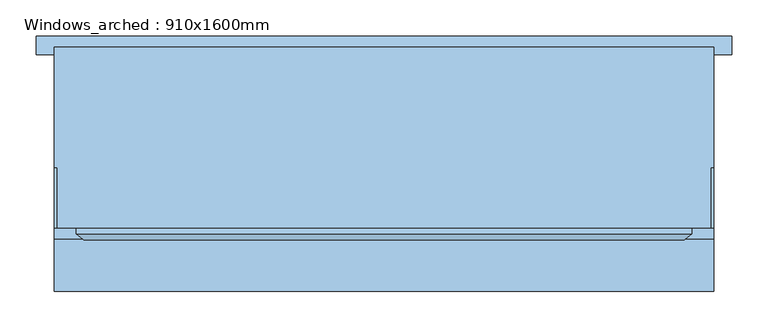
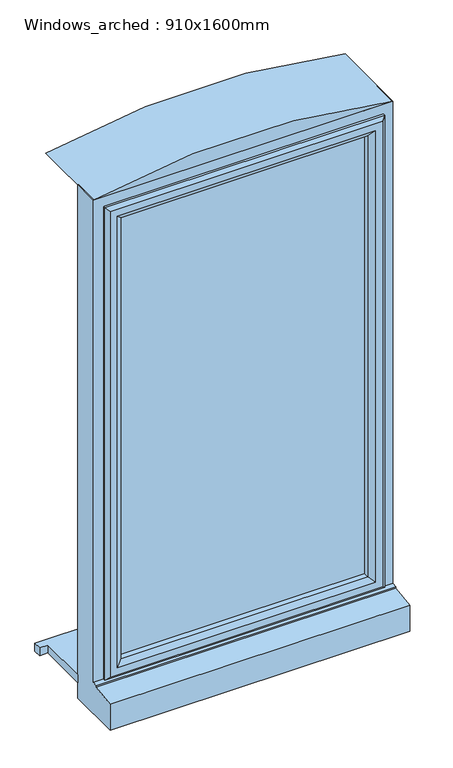
"""IFC4 building model written with IfcOpenShell, lengths in millimetres: window geometry, Windows_arched : 910x1600mm."""

from ifc_helpers import new_model, si_unit, point, frame, frame_2d, origin, place, context, project, spatial, polyline, circle_curve, trimmed, segment, composite_curve, outline, extrude, faceted_brep, source, transform, mapped, element, save


def windows_arched_910x1600mm_0ce7a390(model_context):
    return source(origin(), model_context, "Body", "SolidModel", [
        extrude(outline(polyline([(-480.0, 161.5434322), (480.0, 161.5434322), (480.0, 136.5434322), (455.0, 136.5434322), (455.0, -20.4565678), (-455.0, -20.4565678), (-455.0, 136.5434322), (-480.0, 136.5434322), (-480.0, 161.5434322)])), frame((0.0, 0.0, 510.0), z_axis=(0.0, 0.0, 1.0), x_axis=(1.0, 0.0, 0.0)), (0.0, 0.0, 1.0), 25.0),
        faceted_brep([(-455.0, -20.4565678, 460.0), (-455.0, -20.4565678, 2110.0), (455.0, -20.4565678, 2110.0), (455.0, -20.4565678, 460.0), (-395.0, -20.4565678, 2050.0), (-395.0, -20.4565678, 585.0), (395.0, -20.4565678, 585.0), (395.0, -20.4565678, 2050.0), (-455.0, -190.9565678, 460.0), (-455.0, -190.9565678, 543.8088847), (-455.0, -118.4565678, 554.7449676), (-455.0, -118.4565678, 559.68767), (-455.0, -103.4565678, 561.0), (-455.0, -103.4565678, 2110.0), (455.0, -103.4565678, 561.0), (455.0, -103.4565678, 2110.0), (-415.0, -103.4565678, 2070.0), (415.0, -103.4565678, 2070.0), (415.0, -103.4565678, 573.0), (-415.0, -103.4565678, 573.0), (-415.0, -38.4565678, 573.0), (-415.0, -38.4565678, 2070.0), (415.0, -38.4565678, 573.0), (415.0, -38.4565678, 2070.0), (-395.0, -38.4565678, 2050.0), (395.0, -38.4565678, 2050.0), (395.0, -38.4565678, 585.0), (-395.0, -38.4565678, 585.0), (455.0, -118.4565678, 559.68767), (455.0, -118.4565678, 554.7449676), (455.0, -190.9565678, 543.8088847), (455.0, -190.9565678, 460.0)], [[[0, 1, 2, 3], [4, 5, 6, 7]], [[0, 8, 9, 10, 11, 12, 13, 1]], [[12, 14, 15, 13], [16, 17, 18, 19]], [[19, 20, 21, 16]], [[21, 20, 22, 23], [24, 25, 26, 27]], [[24, 27, 5, 4]], [[1, 13, 15, 2]], [[16, 21, 23, 17]], [[7, 25, 24, 4]], [[14, 28, 29, 30, 31, 3, 2, 15]], [[17, 23, 22, 18]], [[7, 6, 26, 25]], [[31, 8, 0, 3]], [[30, 9, 8, 31]], [[29, 10, 9, 30]], [[28, 11, 10, 29]], [[14, 12, 11, 28]], [[20, 19, 18, 22]], [[5, 27, 26, 6]]]),
        extrude(outline(polyline([(385.0, -67.4565678), (385.0, -91.4565678), (-385.0, -91.4565678), (-385.0, -67.4565678), (385.0, -67.4565678)])), frame((0.0, 0.0, 603.0), z_axis=(0.0, 0.0, 1.0), x_axis=(1.0, 0.0, 0.0)), (0.0, 0.0, 1.0), 1437.0),
        faceted_brep([(-425.0, -103.4565678, 2080.0), (-425.0, -103.4565678, 563.0), (-425.0, -111.7300705, 563.0), (-425.0, -111.7300705, 2080.0), (-415.0, -38.4565678, 2070.0), (-415.0, -38.4565678, 573.0), (-415.0, -103.4565678, 573.0), (-415.0, -103.4565678, 2070.0), (-375.0, -52.9494677, 2030.0), (-375.0, -52.9494677, 613.0), (-385.1480377, -38.4565678, 602.8519623), (-385.1480377, -38.4565678, 2040.1480377), (-375.0, -67.4565678, 2030.0), (-375.0, -67.4565678, 613.0), (-385.0, -91.4565678, 2040.0), (-385.0, -91.4565678, 603.0), (-385.0, -67.4565678, 603.0), (-385.0, -67.4565678, 2040.0), (-375.0, -109.2300705, 2030.0), (-375.0, -109.2300705, 613.0), (-375.0, -91.4565678, 613.0), (-375.0, -91.4565678, 2030.0), (-392.4457548, -120.0035732, 2047.4457548), (-392.4457548, -120.0035732, 595.5542452), (-414.2153903, -120.0035732, 573.7846097), (-414.2153903, -120.0035732, 2069.2153903), (425.0, -103.4565678, 563.0), (425.0, -111.7300705, 563.0), (415.0, -38.4565678, 573.0), (415.0, -103.4565678, 573.0), (375.0, -52.9494677, 613.0), (385.1480377, -38.4565678, 602.8519623), (375.0, -67.4565678, 613.0), (385.0, -91.4565678, 603.0), (385.0, -67.4565678, 603.0), (375.0, -109.2300705, 613.0), (375.0, -91.4565678, 613.0), (392.4457548, -120.0035732, 595.5542452), (414.2153903, -120.0035732, 573.7846097), (425.0, -103.4565678, 2080.0), (425.0, -111.7300705, 2080.0), (415.0, -38.4565678, 2070.0), (415.0, -103.4565678, 2070.0), (375.0, -52.9494677, 2030.0), (385.1480377, -38.4565678, 2040.1480377), (375.0, -67.4565678, 2030.0), (385.0, -91.4565678, 2040.0), (385.0, -67.4565678, 2040.0), (375.0, -109.2300705, 2030.0), (375.0, -91.4565678, 2030.0), (392.4457548, -120.0035732, 2047.4457548), (414.2153903, -120.0035732, 2069.2153903)], [[[0, 1, 2, 3]], [[4, 5, 6, 7]], [[8, 9, 10, 11]], [[12, 13, 9, 8]], [[14, 15, 16, 17]], [[18, 19, 20, 21]], [[22, 23, 19, 18]], [[3, 2, 24, 25]], [[1, 26, 27, 2]], [[5, 28, 29, 6]], [[9, 30, 31, 10]], [[13, 32, 30, 9]], [[15, 33, 34, 16]], [[19, 35, 36, 20]], [[23, 37, 35, 19]], [[2, 27, 38, 24]], [[26, 39, 40, 27]], [[28, 41, 42, 29]], [[30, 43, 44, 31]], [[32, 45, 43, 30]], [[33, 46, 47, 34]], [[35, 48, 49, 36]], [[37, 50, 48, 35]], [[27, 40, 51, 38]], [[39, 0, 3, 40]], [[1, 0, 39, 26], [7, 6, 29, 42]], [[41, 4, 7, 42]], [[5, 4, 41, 28], [11, 10, 31, 44]], [[43, 8, 11, 44]], [[45, 12, 8, 43]], [[17, 16, 34, 47], [13, 12, 45, 32]], [[46, 14, 17, 47]], [[15, 14, 46, 33], [21, 20, 36, 49]], [[48, 18, 21, 49]], [[50, 22, 18, 48]], [[25, 24, 38, 51], [23, 22, 50, 37]], [[40, 3, 25, 51]]]),
        extrude(outline(composite_curve([segment(trimmed(circle_curve(frame_2d((18.062496, 0.0)), 2140.8473837), [point((2110.0, 455.0))], [point((2110.0, -455.0))], False, "CARTESIAN"), True, "CONTINUOUS"), segment(polyline([(2110.0, -455.0), (2110.0, 455.0)]), True, "CONTINUOUS")], self_intersect=False)), frame((0.0, -103.4565678, 0.0), z_axis=(0.0, 1.0, 0.0), x_axis=(0.0, 0.0, 1.0)), (0.0, 0.0, 1.0), 250.0),
    ])


if __name__ == "__main__":
    model = new_model("IFC4")
    model_context = context("Model", 3, world=origin())
    ifc_project = project(units=[si_unit("LENGTHUNIT", "METRE", prefix="MILLI")], contexts=[model_context])
    site = spatial("IfcSite", under=ifc_project)
    building = spatial("IfcBuilding", under=site)
    placement = place(None, origin())
    windows_arched_910x1600mm_shape = windows_arched_910x1600mm_0ce7a390(model_context)
    element("IfcWindow", 1, ObjectType="Windows_arched : 910x1600mm", at=placement, inside=building, context=model_context, shape_type="MappedRepresentation", body=[
        mapped(windows_arched_910x1600mm_shape, transform((0.0, 0.0, 0.0), x_axis=(1.0, 0.0, 0.0), y_axis=(0.0, 1.0, 0.0), z_axis=(0.0, 0.0, 1.0))),
    ])
    save(model, "model.ifc")
